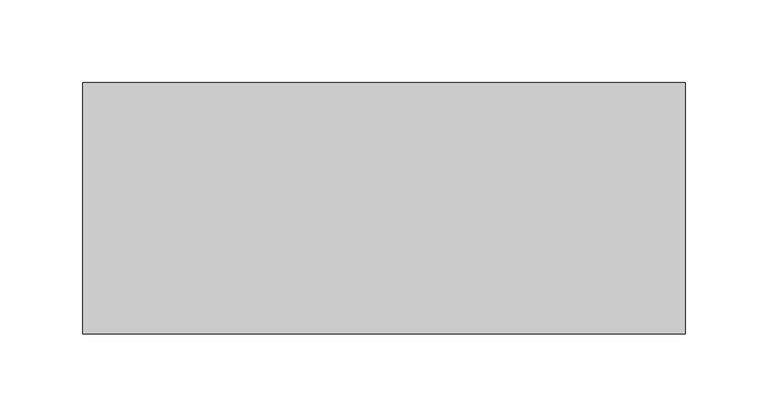
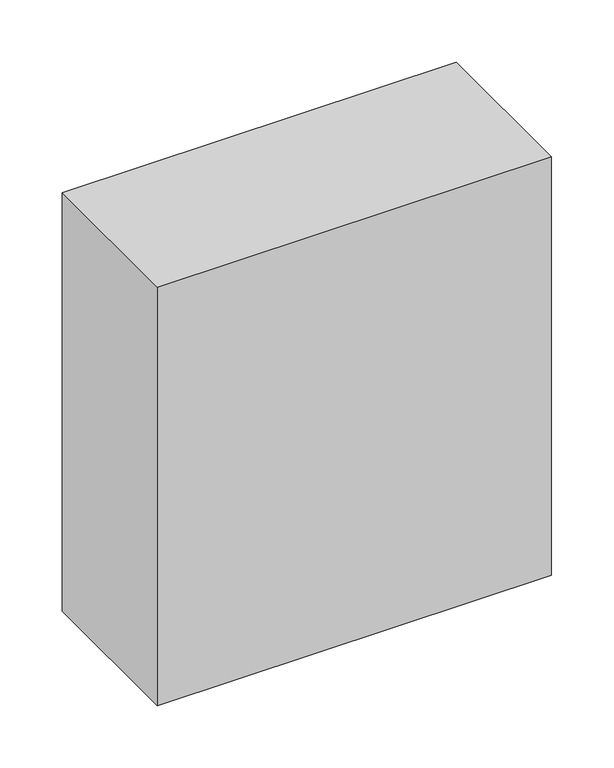
"""IFC4 building model written with IfcOpenShell, lengths in millimetres: proxy geometry."""

from ifc_helpers import new_model, si_unit, origin, origin_with_axes, place, context, project, spatial, polyline, outline, extrude, source, transform, mapped, element, save


def specialty_equipment_420bd9b2(model_context):
    return source(origin(), model_context, "Body", "SweptSolid", [
        extrude(outline(polyline([(182.0, 152.0), (182.0, 0.0), (-182.0, 0.0), (-182.0, 152.0), (182.0, 152.0)])), origin_with_axes(), (0.0, 0.0, 1.0), 409.0),
    ])


if __name__ == "__main__":
    model = new_model("IFC4")
    model_context = context("Model", 3, world=origin())
    ifc_project = project(units=[si_unit("LENGTHUNIT", "METRE", prefix="MILLI")], contexts=[model_context])
    site = spatial("IfcSite", under=ifc_project)
    building = spatial("IfcBuilding", under=site)
    placement = place(None, origin())
    specialty_equipment_shape = specialty_equipment_420bd9b2(model_context)
    element("IfcBuildingElementProxy", 1, Name="Specialty Equipment", at=placement, inside=building, context=model_context, shape_type="MappedRepresentation", body=[
        mapped(specialty_equipment_shape, transform((0.0, 0.0, 0.0), x_axis=(1.0, 0.0, 0.0), y_axis=(0.0, 1.0, 0.0), z_axis=(0.0, 0.0, 1.0))),
    ])
    save(model, "model.ifc")
